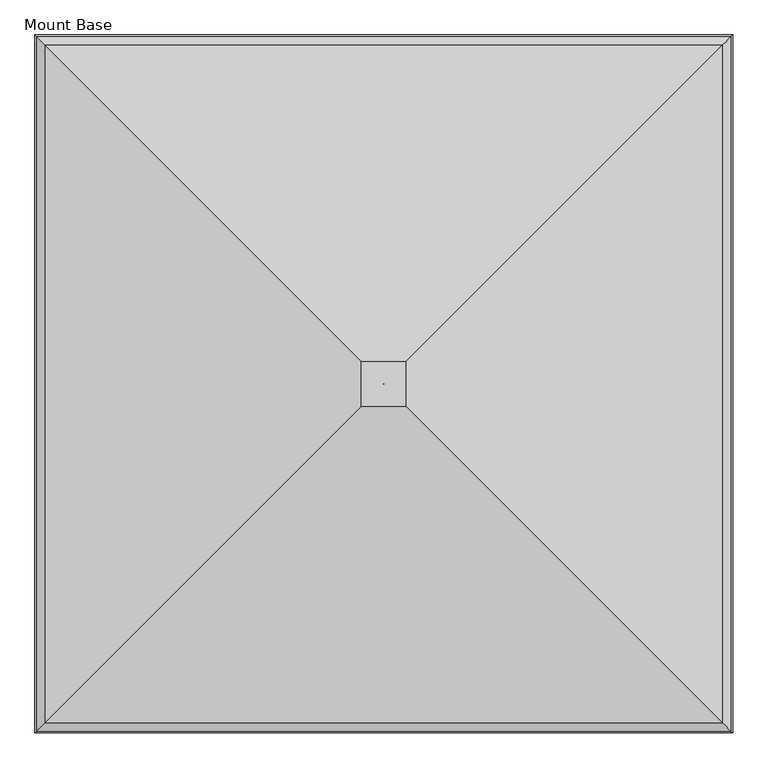
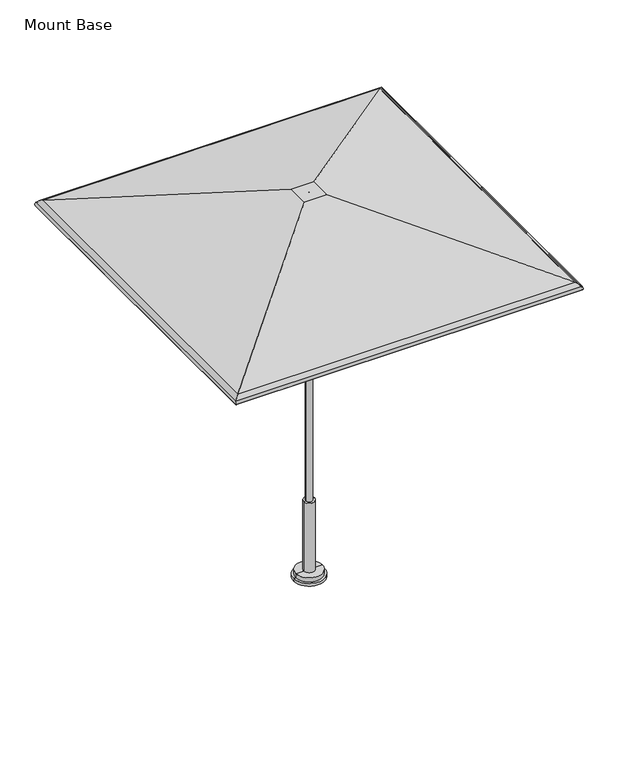
"""IFC4 building model written with IfcOpenShell, lengths in millimetres: furniture geometry, Mount Base."""

from ifc_helpers import new_model, si_unit, frame, origin, place, context, project, spatial, polyline, circle_curve, ellipse_curve, source, transform, mapped, element, save
from ifc_brep_helpers import plane_surface, cylinder_surface, revolved_surface, advanced_brep


def mount_base_5676a8a5(model_context):
    return source(origin(), model_context, "Body", "AdvancedBrep", [
        advanced_brep(
        [(-0.1191233, -3.7889421, 2332.2359375), (-0.1191233, -3.7889421, 2336.8), (0.1191233, -3.7889421, 2336.8), (0.1191233, -3.7889421, 2332.2359375), (-972.8203346, -976.4901535, 2032.8952419), (-63.8799222, -67.5497411, 2332.2359375), (63.8799222, -67.5497411, 2332.2359375), (972.8203346, -976.4901535, 2032.8952419), (-993.3252275, -996.9950464, 2015.7031479), (993.3252275, -996.9950464, 2015.7031479), (-995.3819432, -999.051762, 1999.8260507), (995.3819432, -999.051762, 1999.8260507), (-999.7734953, -1003.4433141, 1998.5830959), (999.7734953, -1003.4433141, 1998.5830959), (-997.255117, -1000.9249359, 2018.0240604), (997.255117, -1000.9249359, 2018.0240604), (-972.7319046, -976.4017234, 2037.7634079), (972.7319046, -976.4017234, 2037.7634079), (-64.7106433, -68.3804622, 2336.8), (64.7106433, -68.3804622, 2336.8), (0.1191233, -2.7851577, 2336.8), (0.1191233, -2.7851577, 2332.2359375), (63.8799222, 60.9756412, 2332.2359375), (972.8203346, 969.9160536, 2032.8952419), (993.3252275, 990.4209465, 2015.7031479), (995.3819432, 992.4776622, 1999.8260507), (999.7734953, 996.8692143, 1998.5830959), (997.255117, 994.350836, 2018.0240604), (972.7319046, 969.8276236, 2037.7634079), (64.7106433, 61.8063623, 2336.8), (-0.1191233, -2.7851577, 2336.8), (-0.1191233, -2.7851577, 2332.2359375), (-63.8799222, 60.9756412, 2332.2359375), (-972.8203346, 969.9160536, 2032.8952419), (-993.3252275, 990.4209465, 2015.7031479), (-995.3819432, 992.4776622, 1999.8260507), (-999.7734953, 996.8692143, 1998.5830959), (-997.255117, 994.350836, 2018.0240604), (-972.7319046, 969.8276236, 2037.7634079), (-64.7106433, 61.8063623, 2336.8)],
        [
            (0, 1),
            (1, 2),
            (2, 3),
            (3, 0),
            (4, 5),
            (5, 6),
            (6, 7),
            (7, 4),
            (8, 4, ellipse_curve(frame((-958.7402749, -962.4100938, 1995.2779812), z_axis=(-0.7071067811865475, 0.7071067811865475, 0.0), x_axis=(0.7071067811865476, 0.7071067811865474, 0.0)), 56.8032813, 40.1659854)),
            (7, 9, ellipse_curve(frame((958.7402749, -962.4100938, 1995.2779812), z_axis=(0.7071067811865475, 0.7071067811865475, 0.0), x_axis=(0.7071067811865476, -0.7071067811865474, 0.0)), 56.8032813, 40.1659854)),
            (9, 8),
            (10, 8, ellipse_curve(frame((-975.8174942, -979.4873131, 2005.3634382), z_axis=(-0.7071067811865475, 0.7071067811865475, 0.0), x_axis=(0.7071067811865476, 0.7071067811865474, 0.0)), 28.7551847, 20.3329861)),
            (9, 11, ellipse_curve(frame((975.8174942, -979.4873131, 2005.3634382), z_axis=(0.7071067811865475, 0.7071067811865475, 0.0), x_axis=(0.7071067811865476, -0.7071067811865474, 0.0)), 28.7551847, 20.3329861)),
            (11, 10),
            (12, 10, ellipse_curve(frame((-997.5777192, -1001.2475381, 1999.2045733), z_axis=(0.7071067811865475, -0.7071067811865475, 0.0), x_axis=(-0.7071067811865476, -0.7071067811865474, 0.0)), 3.2272795, 2.2820312)),
            (11, 13, ellipse_curve(frame((997.5777192, -1001.2475381, 1999.2045733), z_axis=(-0.7071067811865475, -0.7071067811865475, 0.0), x_axis=(-0.7071067811865476, 0.7071067811865474, 0.0)), 3.2272795, 2.2820312)),
            (13, 12),
            (14, 12, ellipse_curve(frame((-975.8174942, -979.4873131, 2005.3634382), z_axis=(0.7071067811865475, -0.7071067811865475, 0.0), x_axis=(-0.7071067811865476, -0.7071067811865474, 0.0)), 35.2097438, 24.8970486)),
            (13, 15, ellipse_curve(frame((975.8174942, -979.4873131, 2005.3634382), z_axis=(-0.7071067811865475, -0.7071067811865475, 0.0), x_axis=(-0.7071067811865476, 0.7071067811865474, 0.0)), 35.2097438, 24.8970486)),
            (15, 14),
            (16, 14, ellipse_curve(frame((-958.7402749, -962.4100938, 1995.2779812), z_axis=(0.7071067811865475, -0.7071067811865475, 0.0), x_axis=(-0.7071067811865476, -0.7071067811865474, 0.0)), 63.2578403, 44.7300479)),
            (15, 17, ellipse_curve(frame((958.7402749, -962.4100938, 1995.2779812), z_axis=(-0.7071067811865475, -0.7071067811865475, 0.0), x_axis=(-0.7071067811865476, 0.7071067811865474, 0.0)), 63.2578403, 44.7300479)),
            (17, 16),
            (18, 16),
            (17, 19),
            (19, 18),
            (2, 20),
            (20, 21),
            (21, 3),
            (6, 22),
            (22, 23),
            (23, 7),
            (23, 24, ellipse_curve(frame((958.7402749, 955.8359939, 1995.2779812), z_axis=(-0.7071067811865475, 0.7071067811865475, 0.0), x_axis=(0.7071067811865474, 0.7071067811865476, 0.0)), 56.8032813, 40.1659854)),
            (24, 9),
            (24, 25, ellipse_curve(frame((975.8174942, 972.9132132, 2005.3634382), z_axis=(-0.7071067811865475, 0.7071067811865475, 0.0), x_axis=(0.7071067811865474, 0.7071067811865476, 0.0)), 28.7551847, 20.3329861)),
            (25, 11),
            (25, 26, ellipse_curve(frame((997.5777192, 994.6734382, 1999.2045733), z_axis=(0.7071067811865475, -0.7071067811865475, 0.0), x_axis=(-0.7071067811865474, -0.7071067811865476, 0.0)), 3.2272795, 2.2820312)),
            (26, 13),
            (26, 27, ellipse_curve(frame((975.8174942, 972.9132132, 2005.3634382), z_axis=(0.7071067811865475, -0.7071067811865475, 0.0), x_axis=(-0.7071067811865474, -0.7071067811865476, 0.0)), 35.2097438, 24.8970486)),
            (27, 15),
            (27, 28, ellipse_curve(frame((958.7402749, 955.8359939, 1995.2779812), z_axis=(0.7071067811865475, -0.7071067811865475, 0.0), x_axis=(-0.7071067811865474, -0.7071067811865476, 0.0)), 63.2578403, 44.7300479)),
            (28, 17),
            (28, 29),
            (29, 19),
            (20, 30),
            (30, 31),
            (31, 21),
            (22, 32),
            (32, 33),
            (33, 23),
            (33, 34, ellipse_curve(frame((-958.7402749, 955.8359939, 1995.2779812), z_axis=(-0.7071067811865475, -0.7071067811865475, 0.0), x_axis=(-0.7071067811865476, 0.7071067811865474, 0.0)), 56.8032813, 40.1659854)),
            (34, 24),
            (34, 35, ellipse_curve(frame((-975.8174942, 972.9132132, 2005.3634382), z_axis=(-0.7071067811865475, -0.7071067811865475, 0.0), x_axis=(-0.7071067811865476, 0.7071067811865474, 0.0)), 28.7551847, 20.3329861)),
            (35, 25),
            (35, 36, ellipse_curve(frame((-997.5777192, 994.6734382, 1999.2045733), z_axis=(0.7071067811865475, 0.7071067811865475, 0.0), x_axis=(0.7071067811865476, -0.7071067811865474, 0.0)), 3.2272795, 2.2820312)),
            (36, 26),
            (36, 37, ellipse_curve(frame((-975.8174942, 972.9132132, 2005.3634382), z_axis=(0.7071067811865475, 0.7071067811865475, 0.0), x_axis=(0.7071067811865476, -0.7071067811865474, 0.0)), 35.2097438, 24.8970486)),
            (37, 27),
            (37, 38, ellipse_curve(frame((-958.7402749, 955.8359939, 1995.2779812), z_axis=(0.7071067811865475, 0.7071067811865475, 0.0), x_axis=(0.7071067811865476, -0.7071067811865474, 0.0)), 63.2578403, 44.7300479)),
            (38, 28),
            (38, 39),
            (39, 29),
            (39, 18),
            (1, 30),
            (0, 31),
            (5, 32),
            (4, 33),
            (8, 34),
            (10, 35),
            (12, 36),
            (14, 37),
            (16, 38),
        ],
        [
            plane_surface(frame((-0.1191233, -3.7889421, 2336.8), z_axis=(0.0, 1.0, 0.0), x_axis=(1.0, 0.0, 0.0))),
            plane_surface(frame((-63.8799222, -67.5497411, 2332.2359375), z_axis=(0.0, 0.3128029016514654, -0.9498180587451598), x_axis=(1.0, 0.0, 0.0))),
            revolved_surface(polyline([(998.9062603008771, -922.2441084000001, 1995.2779812), (-998.9062603008771, -922.2441084000001, 1995.2779812)]), (-1013.0581334, -962.4100938, 1995.2779812), (1.0, 0.0, 0.0)),
            revolved_surface(polyline([(996.1504802956416, -959.1543270000001, 2005.3634382), (-996.1504802956417, -959.1543270000001, 2005.3634382)]), (-1013.0581334, -979.4873131, 2005.3634382), (1.0, 0.0, 0.0)),
            cylinder_surface(frame((-1013.0581334, -1001.2475381, 1999.2045733), z_axis=(-1.0, 0.0, 0.0), x_axis=(0.0, 1.0, 0.0)), 2.2820312),
            cylinder_surface(frame((-1013.0581334, -979.4873131, 2005.3634382), z_axis=(-1.0, 0.0, 0.0), x_axis=(0.0, 1.0, 0.0)), 24.8970486),
            cylinder_surface(frame((-1013.0581334, -962.4100938, 1995.2779812), z_axis=(-1.0, 0.0, 0.0), x_axis=(0.0, 1.0, 0.0)), 44.7300479),
            plane_surface(frame((-972.7319046, -976.4017234, 2037.7634079), z_axis=(0.0, -0.3128015803524927, 0.9498184938865862), x_axis=(1.0, 0.0, 0.0))),
            plane_surface(frame((0.1191233, -3.7889421, 2336.8), z_axis=(-1.0, 0.0, 0.0), x_axis=(0.0, 1.0, 0.0))),
            plane_surface(frame((63.8799222, -67.5497411, 2332.2359375), z_axis=(-0.31280290165146846, 0.0, -0.9498180587451588), x_axis=(0.0, 1.0, 0.0))),
            revolved_surface(polyline([(918.5742895000001, 996.0019793008769, 1995.2779812), (918.5742895000001, -1002.5760792008771, 1995.2779812)]), (958.7402749, -1016.7279523, 1995.2779812), (0.0, 1.0, 0.0)),
            revolved_surface(polyline([(955.4845081000001, 993.2461992956416, 2005.3634382), (955.4845081000001, -999.8202991956417, 2005.3634382)]), (975.8174942, -1016.7279523, 2005.3634382), (0.0, 1.0, 0.0)),
            cylinder_surface(frame((997.5777192, -1016.7279523, 1999.2045733), z_axis=(0.0, -1.0, 0.0), x_axis=(-1.0, 0.0, 0.0)), 2.2820312),
            cylinder_surface(frame((975.8174942, -1016.7279523, 2005.3634382), z_axis=(0.0, -1.0, 0.0), x_axis=(-1.0, 0.0, 0.0)), 24.8970486),
            cylinder_surface(frame((958.7402749, -1016.7279523, 1995.2779812), z_axis=(0.0, -1.0, 0.0), x_axis=(-1.0, 0.0, 0.0)), 44.7300479),
            plane_surface(frame((972.7319046, -976.4017234, 2037.7634079), z_axis=(0.3128015803524958, 0.0, 0.9498184938865852), x_axis=(0.0, 1.0, 0.0))),
            plane_surface(frame((0.1191233, -2.7851577, 2336.8), z_axis=(0.0, -1.0, 0.0), x_axis=(-1.0, 0.0, 0.0))),
            plane_surface(frame((63.8799222, 60.9756412, 2332.2359375), z_axis=(0.0, -0.3128029016514654, -0.9498180587451598), x_axis=(-1.0, 0.0, 0.0))),
            revolved_surface(polyline([(-998.9062603008771, 915.6700085, 1995.2779812), (998.9062603008771, 915.6700085, 1995.2779812)]), (1013.0581334, 955.8359939, 1995.2779812), (-1.0, 0.0, 0.0)),
            revolved_surface(polyline([(-996.1504802956416, 952.5802271, 2005.3634382), (996.1504802956417, 952.5802271, 2005.3634382)]), (1013.0581334, 972.9132132, 2005.3634382), (-1.0, 0.0, 0.0)),
            cylinder_surface(frame((1013.0581334, 994.6734382, 1999.2045733), z_axis=(1.0, 0.0, 0.0), x_axis=(0.0, -1.0, 0.0)), 2.2820312),
            cylinder_surface(frame((1013.0581334, 972.9132132, 2005.3634382), z_axis=(1.0, 0.0, 0.0), x_axis=(0.0, -1.0, 0.0)), 24.8970486),
            cylinder_surface(frame((1013.0581334, 955.8359939, 1995.2779812), z_axis=(1.0, 0.0, 0.0), x_axis=(0.0, -1.0, 0.0)), 44.7300479),
            plane_surface(frame((972.7319046, 969.8276236, 2037.7634079), z_axis=(0.0, 0.3128015803524927, 0.9498184938865862), x_axis=(-1.0, 0.0, 0.0))),
            plane_surface(frame((-64.7106433, 61.8063623, 2336.8), z_axis=(0.0, 0.0, 1.0), x_axis=(0.0, -1.0, 0.0))),
            plane_surface(frame((-0.1191233, -2.7851577, 2336.8), z_axis=(1.0, 0.0, 0.0), x_axis=(0.0, -1.0, 0.0))),
            plane_surface(frame((-0.1191233, -2.7851577, 2332.2359375), z_axis=(0.0, 0.0, -1.0), x_axis=(0.0, -1.0, 0.0))),
            plane_surface(frame((-63.8799222, 60.9756412, 2332.2359375), z_axis=(0.31280290165146235, 0.0, -0.9498180587451608), x_axis=(0.0, -1.0, 0.0))),
            revolved_surface(polyline([(-918.5742895000001, -1002.5760792008768, 1995.2779812), (-918.5742895000001, 996.001979300877, 1995.2779812)]), (-958.7402749, 1010.1538524, 1995.2779812), (0.0, -1.0, 0.0)),
            revolved_surface(polyline([(-955.4845081000001, -999.8202991956418, 2005.3634382), (-955.4845081000001, 993.2461992956416, 2005.3634382)]), (-975.8174942, 1010.1538524, 2005.3634382), (0.0, -1.0, 0.0)),
            cylinder_surface(frame((-997.5777192, 1010.1538524, 1999.2045733), z_axis=(0.0, 1.0, 0.0), x_axis=(1.0, 0.0, 0.0)), 2.2820312),
            cylinder_surface(frame((-975.8174942, 1010.1538524, 2005.3634382), z_axis=(0.0, 1.0, 0.0), x_axis=(1.0, 0.0, 0.0)), 24.8970486),
            cylinder_surface(frame((-958.7402749, 1010.1538524, 1995.2779812), z_axis=(0.0, 1.0, 0.0), x_axis=(1.0, 0.0, 0.0)), 44.7300479),
            plane_surface(frame((-972.7319046, 969.8276236, 2037.7634079), z_axis=(-0.31280158035248967, 0.0, 0.9498184938865872), x_axis=(0.0, -1.0, 0.0))),
        ],
        [
            (0, [[1, 2, 3, 4]]),
            (1, [[5, 6, 7, 8]]),
            (2, [[9, -8, 10, 11]]),
            (3, [[12, -11, 13, 14]]),
            (4, [[15, -14, 16, 17]]),
            (5, [[18, -17, 19, 20]]),
            (6, [[21, -20, 22, 23]]),
            (7, [[24, -23, 25, 26]]),
            (8, [[-3, 27, 28, 29]]),
            (9, [[-7, 30, 31, 32]]),
            (10, [[-10, -32, 33, 34]]),
            (11, [[-13, -34, 35, 36]]),
            (12, [[-16, -36, 37, 38]]),
            (13, [[-19, -38, 39, 40]]),
            (14, [[-22, -40, 41, 42]]),
            (15, [[-25, -42, 43, 44]]),
            (16, [[-28, 45, 46, 47]]),
            (17, [[-31, 48, 49, 50]]),
            (18, [[-33, -50, 51, 52]]),
            (19, [[-35, -52, 53, 54]]),
            (20, [[-37, -54, 55, 56]]),
            (21, [[-39, -56, 57, 58]]),
            (22, [[-41, -58, 59, 60]]),
            (23, [[-43, -60, 61, 62]]),
            (24, [[-44, -62, 63, -26], [64, -45, -27, -2]]),
            (25, [[-46, -64, -1, 65]]),
            (26, [[66, -48, -30, -6], [-29, -47, -65, -4]]),
            (27, [[-49, -66, -5, 67]]),
            (28, [[-51, -67, -9, 68]]),
            (29, [[-53, -68, -12, 69]]),
            (30, [[-55, -69, -15, 70]]),
            (31, [[-57, -70, -18, 71]]),
            (32, [[-59, -71, -21, 72]]),
            (33, [[-61, -72, -24, -63]]),
        ],
    ),
        advanced_brep(
        [(-88.9, -4.0299408, 15.8750008), (88.9, -4.0299408, 15.8750008), (88.9, -4.0299408, 0.0), (-88.9, -4.0299408, 0.0), (-76.2, -4.0299408, 15.8750008), (76.2, -4.0299408, 15.8750008), (-76.2, -4.0299408, 41.2750008), (76.2, -4.0299408, 41.2750008), (0.0, -4.0299408, 41.2750008), (0.0, -4.0299408, 0.0)],
        [
            (0, 1, circle_curve(frame((0.0, -4.0299408, 15.8750008), z_axis=(0.0, 0.0, -1.0), x_axis=(1.0, 0.0, 0.0)), 88.9)),
            (1, 2),
            (2, 3, circle_curve(frame((0.0, -4.0299408, 0.0), z_axis=(0.0, 0.0, 1.0), x_axis=(1.0, 0.0, 0.0)), 88.9)),
            (3, 0),
            (1, 0, circle_curve(frame((0.0, -4.0299408, 15.8750008), z_axis=(0.0, 0.0, -1.0), x_axis=(1.0, 0.0, 0.0)), 88.9)),
            (3, 2, circle_curve(frame((0.0, -4.0299408, 0.0), z_axis=(0.0, 0.0, 1.0), x_axis=(1.0, 0.0, 0.0)), 88.9)),
            (4, 5, circle_curve(frame((0.0, -4.0299408, 15.8750008), z_axis=(0.0, 0.0, -1.0), x_axis=(1.0, 0.0, 0.0)), 76.2)),
            (5, 1),
            (0, 4),
            (5, 4, circle_curve(frame((0.0, -4.0299408, 15.8750008), z_axis=(0.0, 0.0, -1.0), x_axis=(1.0, 0.0, 0.0)), 76.2)),
            (6, 7, circle_curve(frame((0.0, -4.0299408, 41.2750008), z_axis=(0.0, 0.0, -1.0), x_axis=(1.0, 0.0, 0.0)), 76.2)),
            (7, 5),
            (4, 6),
            (7, 6, circle_curve(frame((0.0, -4.0299408, 41.2750008), z_axis=(0.0, 0.0, -1.0), x_axis=(1.0, 0.0, 0.0)), 76.2)),
            (8, 7),
            (6, 8),
            (2, 9),
            (9, 3),
        ],
        [
            cylinder_surface(frame((0.0, -4.0299408, 161.9250008), z_axis=(0.0, 0.0, 1.0), x_axis=(1.0, 0.0, 0.0)), 88.9),
            plane_surface(frame((0.0, -4.0299408, 15.8750008), z_axis=(0.0, 0.0, 1.0), x_axis=(1.0, 0.0, 0.0))),
            cylinder_surface(frame((0.0, -4.0299408, 161.9250008), z_axis=(0.0, 0.0, 1.0), x_axis=(1.0, 0.0, 0.0)), 76.2),
            plane_surface(frame((0.0, -4.0299408, 41.2750008), z_axis=(0.0, 0.0, 1.0), x_axis=(1.0, 0.0, 0.0))),
            plane_surface(frame((0.0, -4.0299408, 0.0), z_axis=(0.0, 0.0, -1.0), x_axis=(1.0, 0.0, 0.0))),
        ],
        [
            (0, [[1, 2, 3, 4]]),
            (0, [[5, -4, 6, -2]]),
            (1, [[7, 8, -1, 9]]),
            (1, [[10, -9, -5, -8]]),
            (2, [[11, 12, -7, 13]]),
            (2, [[14, -13, -10, -12]]),
            (3, [[15, -11, 16]]),
            (3, [[-16, -14, -15]]),
            (4, [[-3, 17, 18]]),
            (4, [[-6, -18, -17]]),
        ],
    ),
        advanced_brep(
        [(-19.05, -4.0299408, 463.5500121), (19.05, -4.0299408, 463.5500121), (31.7499992, -4.0299408, 463.5500121), (-31.7499992, -4.0299408, 463.5500121), (-19.05, -4.0299408, 1771.5507813), (19.05, -4.0299408, 1771.5507813), (0.0, -4.0299408, 1771.5507813), (-31.7499992, -4.0299408, 25.4), (31.7499992, -4.0299408, 25.4), (0.0, -4.0299408, 25.4)],
        [
            (0, 1, circle_curve(frame((0.0, -4.0299408, 463.5500121), z_axis=(0.0, 0.0, -1.0), x_axis=(1.0, 0.0, 0.0)), 19.05)),
            (1, 2),
            (2, 3, circle_curve(frame((0.0, -4.0299408, 463.5500121), z_axis=(0.0, 0.0, 1.0), x_axis=(1.0, 0.0, 0.0)), 31.7499992)),
            (3, 0),
            (1, 0, circle_curve(frame((0.0, -4.0299408, 463.5500121), z_axis=(0.0, 0.0, -1.0), x_axis=(1.0, 0.0, 0.0)), 19.05)),
            (3, 2, circle_curve(frame((0.0, -4.0299408, 463.5500121), z_axis=(0.0, 0.0, 1.0), x_axis=(1.0, 0.0, 0.0)), 31.7499992)),
            (4, 5, circle_curve(frame((0.0, -4.0299408, 1771.5507813), z_axis=(0.0, 0.0, -1.0), x_axis=(1.0, 0.0, 0.0)), 19.05)),
            (5, 1),
            (0, 4),
            (5, 4, circle_curve(frame((0.0, -4.0299408, 1771.5507813), z_axis=(0.0, 0.0, -1.0), x_axis=(1.0, 0.0, 0.0)), 19.05)),
            (6, 5),
            (4, 6),
            (7, 8, circle_curve(frame((0.0, -4.0299408, 25.4), z_axis=(0.0, 0.0, -1.0), x_axis=(1.0, 0.0, 0.0)), 31.7499992)),
            (8, 9),
            (9, 7),
            (8, 7, circle_curve(frame((0.0, -4.0299408, 25.4), z_axis=(0.0, 0.0, -1.0), x_axis=(1.0, 0.0, 0.0)), 31.7499992)),
            (2, 8),
            (7, 3),
        ],
        [
            plane_surface(frame((0.0, -4.0299408, 463.5500121), z_axis=(0.0, 0.0, 1.0), x_axis=(1.0, 0.0, 0.0))),
            cylinder_surface(frame((0.0, -4.0299408, 2635.1507813), z_axis=(0.0, 0.0, 1.0), x_axis=(1.0, 0.0, 0.0)), 19.05),
            plane_surface(frame((0.0, -4.0299408, 1771.5507813), z_axis=(0.0, 0.0, 1.0), x_axis=(1.0, 0.0, 0.0))),
            plane_surface(frame((0.0, -4.0299408, 25.4), z_axis=(0.0, 0.0, -1.0), x_axis=(1.0, 0.0, 0.0))),
            cylinder_surface(frame((0.0, -4.0299408, 2635.1507813), z_axis=(0.0, 0.0, 1.0), x_axis=(1.0, 0.0, 0.0)), 31.7499992),
        ],
        [
            (0, [[1, 2, 3, 4]]),
            (0, [[5, -4, 6, -2]]),
            (1, [[7, 8, -1, 9]]),
            (1, [[10, -9, -5, -8]]),
            (2, [[11, -7, 12]]),
            (2, [[-12, -10, -11]]),
            (3, [[13, 14, 15]]),
            (3, [[16, -15, -14]]),
            (4, [[-3, 17, -13, 18]]),
            (4, [[-6, -18, -16, -17]]),
        ],
    ),
    ])


if __name__ == "__main__":
    model = new_model("IFC4")
    model_context = context("Model", 3, world=origin())
    ifc_project = project(units=[si_unit("LENGTHUNIT", "METRE", prefix="MILLI")], contexts=[model_context])
    site = spatial("IfcSite", under=ifc_project)
    building = spatial("IfcBuilding", under=site)
    placement = place(None, origin())
    mount_base_shape = mount_base_5676a8a5(model_context)
    element("IfcFurniture", 1, ObjectType="Mount Base", at=placement, inside=building, context=model_context, shape_type="MappedRepresentation", body=[
        mapped(mount_base_shape, transform((0.0, 0.0, 0.0), x_axis=(1.0, 0.0, 0.0), y_axis=(0.0, 1.0, 0.0), z_axis=(0.0, 0.0, 1.0))),
    ])
    save(model, "model.ifc")
